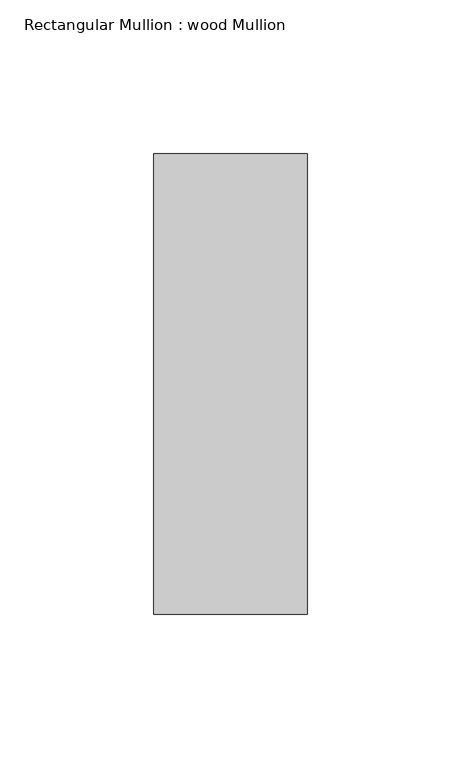
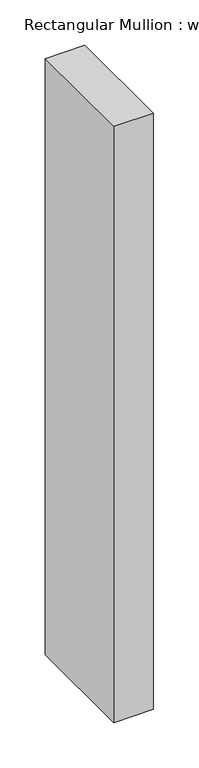
"""IFC4 building model written with IfcOpenShell, lengths in millimetres: member geometry, Rectangular Mullion : wood Mullion."""

from ifc_helpers import new_model, si_unit, frame, origin, place, context, project, spatial, polyline, outline, extrude, source, transform, mapped, element, save


def rectangular_mullion_wood_mullion_6ffebc0f(model_context):
    return source(origin(), model_context, "Body", "SweptSolid", [
        extrude(outline(polyline([(0.0, 75.0), (0.0, -75.0), (-50.0, -75.0), (-50.0, 75.0), (0.0, 75.0)])), frame((0.0, 0.0, -800.0), z_axis=(0.0, 0.0, 1.0), x_axis=(1.0, 0.0, 0.0)), (0.0, 0.0, 1.0), 800.0),
    ])


if __name__ == "__main__":
    model = new_model("IFC4")
    model_context = context("Model", 3, world=origin())
    ifc_project = project(units=[si_unit("LENGTHUNIT", "METRE", prefix="MILLI")], contexts=[model_context])
    site = spatial("IfcSite", under=ifc_project)
    building = spatial("IfcBuilding", under=site)
    placement = place(None, origin())
    rectangular_mullion_wood_mullion_shape = rectangular_mullion_wood_mullion_6ffebc0f(model_context)
    element("IfcMember", 1, ObjectType="Rectangular Mullion : wood Mullion", at=placement, inside=building, context=model_context, shape_type="MappedRepresentation", body=[
        mapped(rectangular_mullion_wood_mullion_shape, transform((0.0, 0.0, 0.0), x_axis=(1.0, 0.0, 0.0), y_axis=(0.0, 1.0, 0.0), z_axis=(0.0, 0.0, 1.0))),
    ])
    save(model, "model.ifc")
